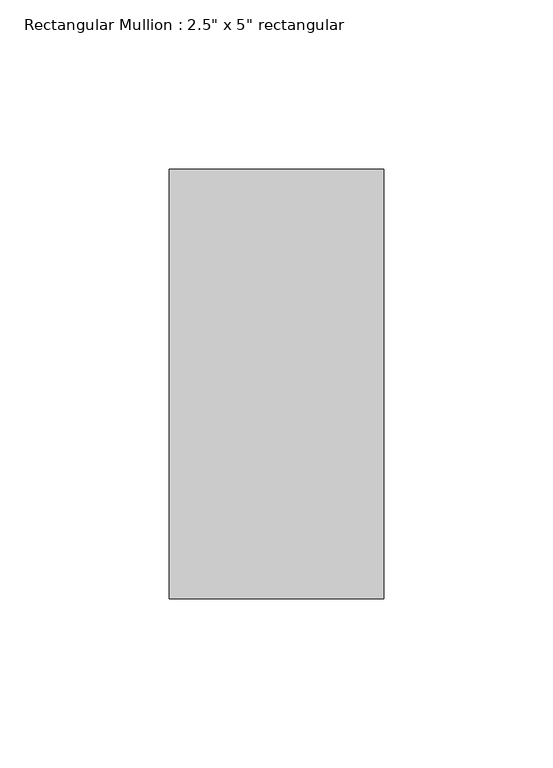
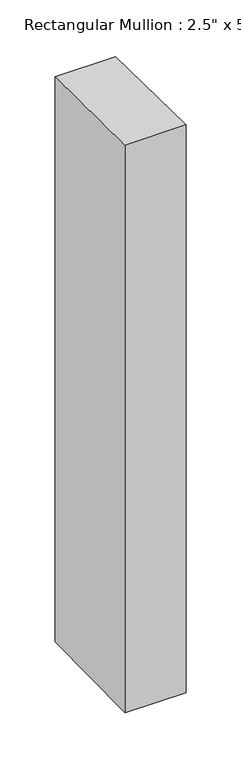
"""IFC4 building model written with IfcOpenShell, lengths in millimetres: member geometry."""

from ifc_helpers import new_model, si_unit, origin, place, context, project, spatial, faceted_brep, source, transform, mapped, element, save


def member_b15c8255(model_context):
    return source(origin(), model_context, "Body", "Brep", [
        faceted_brep([(-63.5, 63.5, -0.7548416), (0.0, 63.5, -0.7361305), (0.0, 63.5, -625.372758), (-63.5, 63.5, -625.186114), (-63.5, -63.5, 0.7174193), (-63.5, -63.5, -626.498593), (0.0, -63.5, 0.7361305), (0.0, -63.5, -626.685237)], [[[0, 1, 2, 3]], [[4, 0, 3, 5]], [[6, 4, 5, 7]], [[1, 6, 7, 2]], [[1, 0, 4, 6]], [[2, 7, 5, 3]]]),
    ])


if __name__ == "__main__":
    model = new_model("IFC4")
    model_context = context("Model", 3, world=origin())
    ifc_project = project(units=[si_unit("LENGTHUNIT", "METRE", prefix="MILLI")], contexts=[model_context])
    site = spatial("IfcSite", under=ifc_project)
    building = spatial("IfcBuilding", under=site)
    placement = place(None, origin())
    member_shape = member_b15c8255(model_context)
    element("IfcMember", 1, ObjectType="Rectangular Mullion : 2.5\" x 5\" rectangular", at=placement, inside=building, context=model_context, shape_type="MappedRepresentation", body=[
        mapped(member_shape, transform((0.0, 0.0, 0.0), x_axis=(1.0, 0.0, 0.0), y_axis=(0.0, 1.0, 0.0), z_axis=(0.0, 0.0, 1.0))),
    ])
    save(model, "model.ifc")
